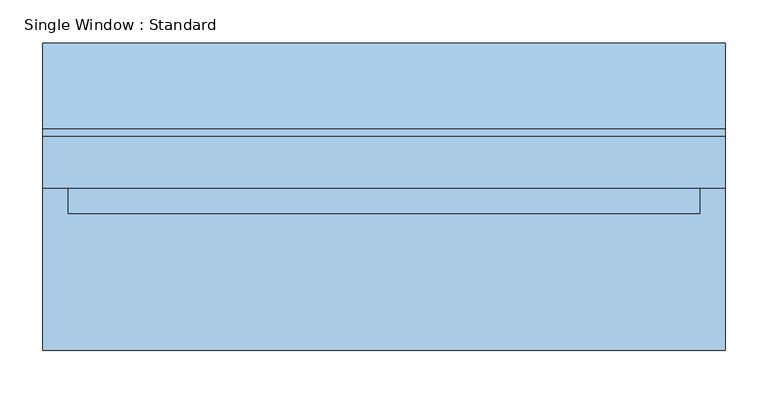
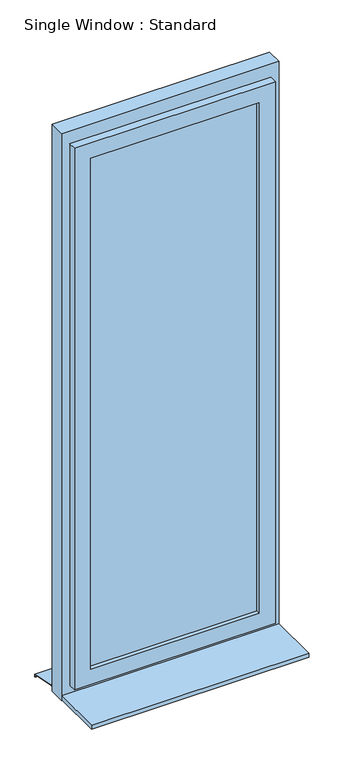
"""IFC4 building model written with IfcOpenShell, lengths in millimetres: window geometry, Single Window : Standard."""

from ifc_helpers import new_model, si_unit, frame, origin, place, context, project, spatial, polyline, outline, extrude, faceted_brep, source, transform, mapped, element, save


def single_window_standard_f75b1632(model_context):
    return source(origin(), model_context, "Body", "SolidModel", [
        extrude(outline(polyline([(309.2751989, -5.0), (-309.2751989, -5.0), (-309.2751989, 25.0), (309.2751989, 25.0), (309.2751989, -5.0)])), frame((0.0, 0.0, 1110.0), z_axis=(0.0, 0.0, 1.0), x_axis=(1.0, 0.0, 0.0)), (0.0, 0.0, 1.0), 1980.8618056),
        faceted_brep([(369.2751989, 10.0, 3150.8618056), (369.2751989, -20.0, 3150.8618056), (369.2751989, -20.0, 1050.0), (369.2751989, 10.0, 1050.0), (339.2751989, 40.0, 3120.8618056), (339.2751989, 10.0, 3120.8618056), (339.2751989, 10.0, 1080.0), (339.2751989, 40.0, 1080.0), (309.2751989, -20.0, 3090.8618056), (309.2751989, 40.0, 3090.8618056), (309.2751989, 40.0, 1110.0), (309.2751989, -20.0, 1110.0), (-369.2751989, -20.0, 1050.0), (-369.2751989, 10.0, 1050.0), (-339.2751989, 10.0, 1080.0), (-339.2751989, 40.0, 1080.0), (-309.2751989, 40.0, 1110.0), (-309.2751989, -20.0, 1110.0), (-369.2751989, -20.0, 3150.8618056), (-369.2751989, 10.0, 3150.8618056), (-339.2751989, 10.0, 3120.8618056), (-339.2751989, 40.0, 3120.8618056), (-309.2751989, 40.0, 3090.8618056), (-309.2751989, -20.0, 3090.8618056)], [[[0, 1, 2, 3]], [[4, 5, 6, 7]], [[8, 9, 10, 11]], [[3, 2, 12, 13]], [[7, 6, 14, 15]], [[11, 10, 16, 17]], [[13, 12, 18, 19]], [[15, 14, 20, 21]], [[17, 16, 22, 23]], [[19, 18, 1, 0]], [[3, 13, 19, 0], [5, 20, 14, 6]], [[21, 20, 5, 4]], [[7, 15, 21, 4], [9, 22, 16, 10]], [[23, 22, 9, 8]], [[1, 18, 12, 2], [11, 17, 23, 8]]]),
        extrude(outline(polyline([(3200.8618056, 399.2751989), (3200.8618056, -399.2751989), (1000.0, -399.2751989), (1000.0, 399.2751989), (3200.8618056, 399.2751989)]), holes=[polyline([(3120.8618056, 339.2751989), (1080.0, 339.2751989), (1080.0, -339.2751989), (3120.8618056, -339.2751989), (3120.8618056, 339.2751989)])]), frame((0.0, 10.0, 0.0), z_axis=(0.0, 1.0, 0.0), x_axis=(0.0, 0.0, 1.0)), (0.0, 0.0, 1.0), 60.0),
        extrude(outline(polyline([(80.0221543, 1020.0), (180.0, 1000.0), (180.0, 990.0), (178.0, 990.0), (178.0, 998.3604634), (79.8240723, 1018.0), (70.0, 1018.0), (70.0, 1020.0), (80.0221543, 1020.0)])), frame((-399.2751989, 0.0, 0.0), z_axis=(1.0, 0.0, 0.0), x_axis=(0.0, 1.0, 0.0)), (0.0, 0.0, 1.0), 798.5503978),
        extrude(outline(polyline([(-399.2751989, -180.0), (-399.2751989, 10.0), (399.2751989, 10.0), (399.2751989, -180.0), (-399.2751989, -180.0)])), frame((0.0, 0.0, 1005.0), z_axis=(0.0, 0.0, 1.0), x_axis=(1.0, 0.0, 0.0)), (0.0, 0.0, 1.0), 15.0),
    ])


if __name__ == "__main__":
    model = new_model("IFC4")
    model_context = context("Model", 3, world=origin())
    ifc_project = project(units=[si_unit("LENGTHUNIT", "METRE", prefix="MILLI")], contexts=[model_context])
    site = spatial("IfcSite", under=ifc_project)
    building = spatial("IfcBuilding", under=site)
    placement = place(None, origin())
    single_window_standard_shape = single_window_standard_f75b1632(model_context)
    element("IfcWindow", 1, ObjectType="Single Window : Standard", at=placement, inside=building, context=model_context, shape_type="MappedRepresentation", body=[
        mapped(single_window_standard_shape, transform((0.0, 0.0, 0.0), x_axis=(1.0, 0.0, 0.0), y_axis=(0.0, 1.0, 0.0), z_axis=(0.0, 0.0, 1.0))),
    ])
    save(model, "model.ifc")
